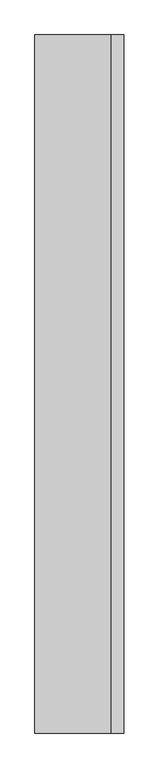
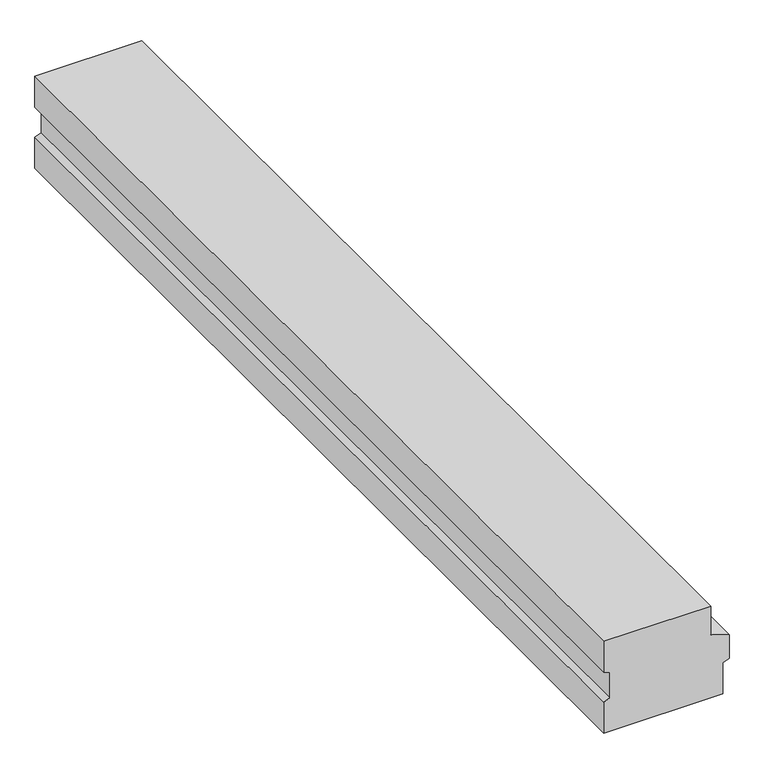
"""IFC4 building model written with IfcOpenShell, lengths in millimetres: beam geometry."""

from ifc_helpers import new_model, si_unit, frame, origin, place, context, project, spatial, polyline, outline, extrude, source, transform, mapped, element, save


def beam_38100fbe(model_context):
    return source(origin(), model_context, "Body", "SweptSolid", [
        extrude(outline(polyline([(0.0, 117.5), (0.0, -147.5), (-81.2054084, -147.5), (-86.8469471, -132.0), (-152.5378604, -132.0), (-158.9635917, -147.5), (-240.0, -147.5), (-240.0, 147.5), (-158.9635917, 147.5), (-152.5378604, 163.0), (-91.5606457, 163.0), (-75.0, 117.5), (0.0, 117.5)])), frame((0.0, -1220.0, 0.0), z_axis=(0.0, 1.0, 0.0), x_axis=(0.0, 0.0, 1.0)), (0.0, 0.0, 1.0), 2440.0),
    ])


if __name__ == "__main__":
    model = new_model("IFC4")
    model_context = context("Model", 3, world=origin())
    ifc_project = project(units=[si_unit("LENGTHUNIT", "METRE", prefix="MILLI")], contexts=[model_context])
    site = spatial("IfcSite", under=ifc_project)
    building = spatial("IfcBuilding", under=site)
    placement = place(None, origin())
    beam_shape = beam_38100fbe(model_context)
    element("IfcBeam", 1, at=placement, inside=building, context=model_context, shape_type="MappedRepresentation", body=[
        mapped(beam_shape, transform((0.0, 0.0, 0.0), x_axis=(1.0, 0.0, 0.0), y_axis=(0.0, 1.0, 0.0), z_axis=(0.0, 0.0, 1.0))),
    ])
    save(model, "model.ifc")
